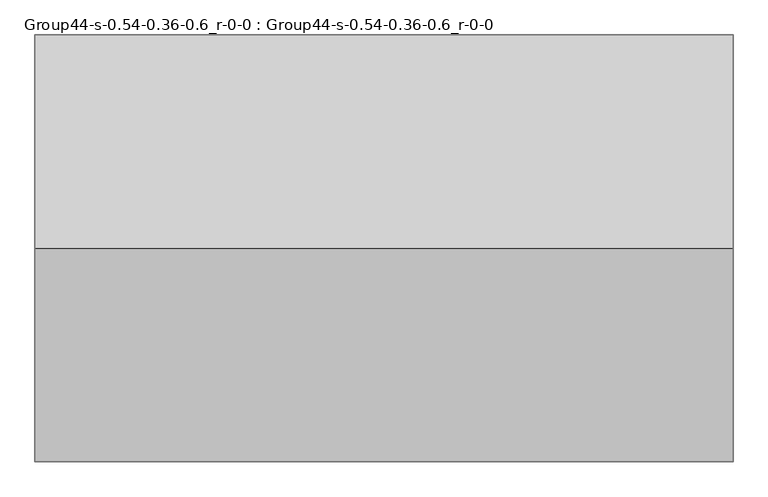
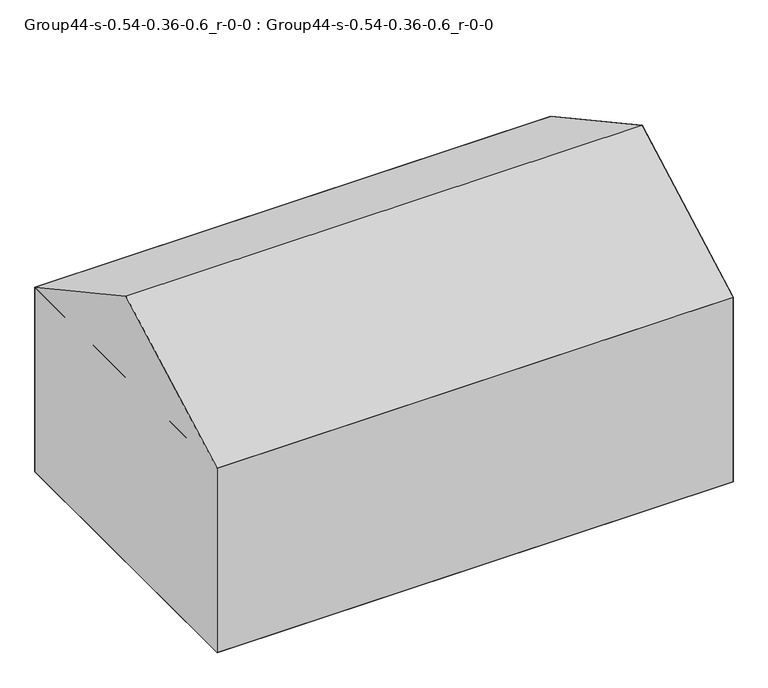
"""IFC4 building model written with IfcOpenShell, lengths in millimetres: geographic element geometry, Group44-s-0.54-0.36-0.6_r-0-0 : Group44-s-0.54-0.36-0.6_r-0-0."""

from ifc_helpers import new_model, si_unit, origin, place, context, project, spatial, triangles, source, transform, mapped, element, save


def group44_s_0_54_0_36_0_6_r_0_0_group44_s_0_54_0_36_0_6_r_0_0_4a5c58ee(model_context):
    return source(origin(), model_context, "Body", "Tessellation", [
        triangles([(221.3579457, 4551.1565048, 2611.1199806), (221.3579457, 327.6423194, 2611.1199806), (221.3579457, 2439.3993576, 3764.2801163), (7131.3001785, 2439.3993576, 3764.2801163), (7131.3001785, 4551.1565048, 2611.1199806), (7131.3001785, 327.6423194, 2611.1199806), (7131.3001785, 4551.1565048, 0.0), (221.3579457, 327.6423194, 0.0), (221.3579457, 4551.1565048, 0.0), (7131.3001785, 327.6423194, 0.0)], [[1, 2, 3], [4, 1, 3], [1, 4, 5], [5, 4, 6], [6, 3, 2], [3, 6, 4], [5, 2, 1], [2, 5, 6], [6, 1, 2], [1, 6, 5], [7, 8, 9], [8, 7, 10], [1, 8, 2], [8, 1, 9], [6, 8, 10], [8, 6, 2], [1, 7, 9], [7, 1, 5], [7, 6, 10], [6, 7, 5]], closed=False),
    ])


if __name__ == "__main__":
    model = new_model("IFC4")
    model_context = context("Model", 3, world=origin())
    ifc_project = project(units=[si_unit("LENGTHUNIT", "METRE", prefix="MILLI")], contexts=[model_context])
    site = spatial("IfcSite", under=ifc_project)
    building = spatial("IfcBuilding", under=site)
    placement = place(None, origin())
    group44_s_0_54_0_36_0_6_r_0_0_group44_s_0_54_0_36_0_6_r_0_0_shape = group44_s_0_54_0_36_0_6_r_0_0_group44_s_0_54_0_36_0_6_r_0_0_4a5c58ee(model_context)
    element("IfcGeographicElement", 1, ObjectType="Group44-s-0.54-0.36-0.6_r-0-0 : Group44-s-0.54-0.36-0.6_r-0-0", at=placement, inside=building, context=model_context, shape_type="MappedRepresentation", body=[
        mapped(group44_s_0_54_0_36_0_6_r_0_0_group44_s_0_54_0_36_0_6_r_0_0_shape, transform((0.0, 0.0, 0.0), x_axis=(1.0, 0.0, 0.0), y_axis=(0.0, 1.0, 0.0), z_axis=(0.0, 0.0, 1.0))),
    ])
    save(model, "model.ifc")
